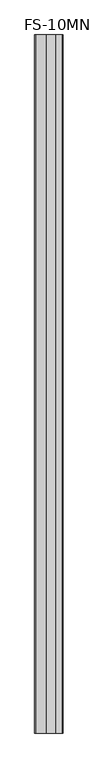
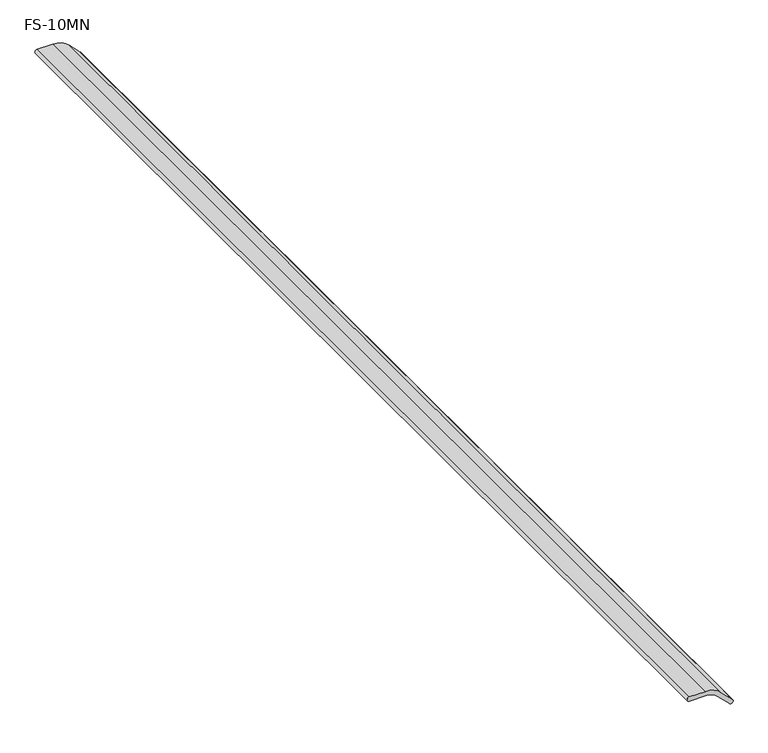
"""IFC4 building model written with IfcOpenShell, lengths in millimetres: proxy geometry, FS-10MN."""

from ifc_helpers import new_model, si_unit, point, frame, frame_2d, origin, place, context, project, spatial, polyline, circle_curve, trimmed, segment, composite_curve, outline, extrude, source, transform, mapped, element, save


def fs_10mn_642ee375(model_context):
    return source(origin(), model_context, "Body", "SweptSolid", [
        extrude(outline(composite_curve([segment(trimmed(circle_curve(frame_2d((-47.5872081, 45.4426327)), 5.953125), [point((-51.7967031, 41.2331376))], [point((-43.377713, 49.6521278))], False, "CARTESIAN"), True, "CONTINUOUS"), segment(polyline([(-43.377713, 49.6521278), (-13.523831, 19.7982458)]), True, "CONTINUOUS"), segment(trimmed(circle_curve(frame_2d((-56.8843433, -23.5622665)), 61.3210245), [point((-13.523831, 19.7982458))], [point((4.4366812, -23.5622665))], False, "CARTESIAN"), True, "CONTINUOUS"), segment(polyline([(4.4366812, -23.5622665), (4.4366812, -65.8493033)]), True, "CONTINUOUS"), segment(trimmed(circle_curve(frame_2d((-1.5164438, -65.8493033)), 5.953125), [point((4.4366812, -65.8493033))], [point((-7.4695688, -65.8493033))], False, "CARTESIAN"), True, "CONTINUOUS"), segment(polyline([(-7.4695688, -65.8493033), (-7.4695688, -23.5622665)]), True, "CONTINUOUS"), segment(trimmed(circle_curve(frame_2d((-56.8843433, -23.5622665)), 49.4147745), [point((-7.4695688, -23.5622665))], [point((-21.9428211, 11.3792557))], True, "CARTESIAN"), True, "CONTINUOUS"), segment(polyline([(-21.9428211, 11.3792557), (-51.7967031, 41.2331376)]), True, "CONTINUOUS")], self_intersect=False)), frame((0.0, -1141.4125, 0.0), z_axis=(0.0, 1.0, 0.0), x_axis=(0.0, 0.0, 1.0)), (0.0, 0.0, 1.0), 3021.0125),
    ])


if __name__ == "__main__":
    model = new_model("IFC4")
    model_context = context("Model", 3, world=origin())
    ifc_project = project(units=[si_unit("LENGTHUNIT", "METRE", prefix="MILLI")], contexts=[model_context])
    site = spatial("IfcSite", under=ifc_project)
    building = spatial("IfcBuilding", under=site)
    placement = place(None, origin())
    fs_10mn_shape = fs_10mn_642ee375(model_context)
    element("IfcBuildingElementProxy", 1, Name="FS-10MN", ObjectType="FS-10MN", at=placement, inside=building, context=model_context, shape_type="MappedRepresentation", body=[
        mapped(fs_10mn_shape, transform((0.0, 0.0, 0.0), x_axis=(1.0, 0.0, 0.0), y_axis=(0.0, 1.0, 0.0), z_axis=(0.0, 0.0, 1.0))),
    ])
    save(model, "model.ifc")
